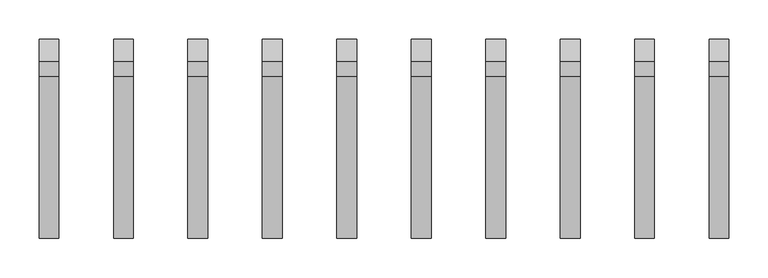
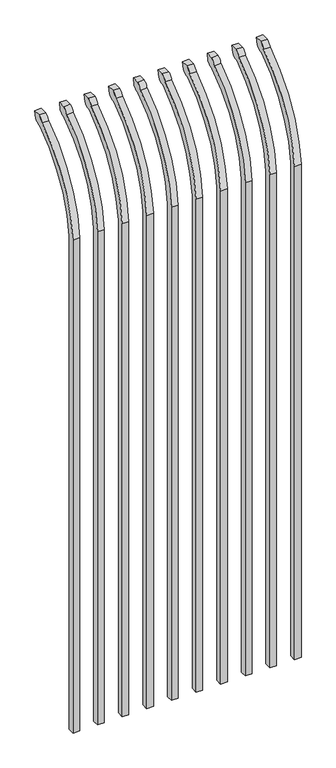
"""IFC4 building model written with IfcOpenShell, lengths in millimetres: railing geometry."""

from ifc_helpers import new_model, si_unit, point, frame, origin, place, context, project, spatial, polyline, circle_curve, ellipse_curve, trimmed, source, transform, mapped, element, save
from ifc_brep_helpers import plane_surface, cylinder_surface, revolved_surface, extruded_surface, advanced_brep


def railing_a7305ae9(model_context):
    return source(origin(), model_context, "Body", "AdvancedBrep", [
        advanced_brep(
        [(21556.4350064, 11905.619541, 50.8), (21556.4350064, 11905.619541, 2063.9226889), (21556.4350064, 12102.7326851, 2396.1022378), (21556.4350064, 12129.2407099, 2410.7867549), (21556.4350064, 12135.1100864, 2438.4), (21556.4350064, 12106.8799449, 2438.4), (21556.4350064, 12087.4931591, 2417.4682561), (21556.4350064, 11880.219541, 2063.9226889), (21556.4350064, 11880.219541, 50.8), (21531.0350064, 11905.619541, 50.8), (21531.0350064, 11905.619541, 2063.9226889), (21531.0350064, 11880.219541, 2063.9226889), (21531.0350064, 11880.219541, 50.8), (21531.0350064, 12087.4931591, 2417.4682561), (21531.0350064, 12106.8799449, 2438.4), (21531.0350064, 12135.1100864, 2438.4), (21531.0350064, 12129.2407099, 2410.7867549), (21531.0350064, 12102.7326851, 2396.1022378)],
        [
            (0, 1),
            (1, 2, circle_curve(frame((21556.4350064, 12342.9874207, 2028.9640776), z_axis=(-1.0, 0.0, 0.0), x_axis=(0.0, 1.0, 0.0)), 438.7627681)),
            (2, 3, ellipse_curve(frame((21556.4350064, 12110.5579376, 2418.5180619), z_axis=(1.0, 0.0, 0.0), x_axis=(0.0, -0.7771459614569752, -0.6293203910498321)), 26.7460194, 19.05)),
            (3, 4),
            (4, 5),
            (5, 6, ellipse_curve(frame((21556.4350064, 12110.5579376, 2418.5180619), z_axis=(1.0, 0.0, 0.0), x_axis=(0.0, -0.7771459614569761, -0.6293203910498311)), 26.7460194, 19.05)),
            (6, 7, circle_curve(frame((21556.4350064, 12342.0333244, 2030.7065933), z_axis=(1.0, 0.0, 0.0), x_axis=(0.0, 1.0, 0.0)), 463.0067812)),
            (7, 8),
            (8, 0),
            (0, 9),
            (9, 10),
            (10, 1),
            (7, 11),
            (11, 12),
            (12, 8),
            (12, 9),
            (11, 13, circle_curve(frame((21531.0350064, 12342.0333244, 2030.7065933), z_axis=(-1.0, 0.0, 0.0), x_axis=(0.0, 1.0, 0.0)), 463.0067812)),
            (13, 14, ellipse_curve(frame((21531.0350064, 12110.5579376, 2418.5180619), z_axis=(-1.0, 0.0, 0.0), x_axis=(0.0, -0.7771459614569761, -0.6293203910498311)), 26.7460194, 19.05)),
            (14, 15),
            (15, 16),
            (16, 17, ellipse_curve(frame((21531.0350064, 12110.5579376, 2418.5180619), z_axis=(-1.0, 0.0, 0.0), x_axis=(0.0, -0.7771459614569752, -0.6293203910498321)), 26.7460194, 19.05)),
            (17, 10, circle_curve(frame((21531.0350064, 12342.9874207, 2028.9640776), z_axis=(1.0, 0.0, 0.0), x_axis=(0.0, 1.0, 0.0)), 438.7627681)),
            (17, 2),
            (16, 3),
            (15, 4),
            (14, 5),
            (13, 6),
        ],
        [
            plane_surface(frame((21556.4350064, 11905.619541, 50.8), z_axis=(1.0, 0.0, 0.0), x_axis=(0.0, 0.0, 1.0))),
            plane_surface(frame((21556.4350064, 11905.619541, 50.8), z_axis=(0.0, 1.0, 0.0), x_axis=(-1.0, 0.0, 0.0))),
            plane_surface(frame((21556.4350064, 11880.219541, 2063.9226889), z_axis=(0.0, -1.0, 0.0), x_axis=(-1.0, 0.0, 0.0))),
            plane_surface(frame((21556.4350064, 11880.219541, 50.8), z_axis=(0.0, 0.0, -1.0), x_axis=(-1.0, 0.0, 0.0))),
            plane_surface(frame((21531.0350064, 11905.619541, 50.8), z_axis=(-1.0, 0.0, 0.0), x_axis=(0.0, 0.0, -1.0))),
            revolved_surface(polyline([(21531.0350064, 12781.750188799999, 2028.9640776), (21556.4350064, 12781.750188799999, 2028.9640776)]), (21531.0350064, 12342.9874207, 2028.9640776), (-1.0, 0.0, 0.0)),
            extruded_surface(trimmed(ellipse_curve(frame((21505.6350064, 12110.5579376, 2418.5180619), z_axis=(1.0, 0.0, 0.0), x_axis=(0.0, -0.7771459614569752, -0.6293203910498321)), 26.7460194, 19.05), [point((21505.6350064, 12102.7326851, 2396.1022378))], [point((21505.6350064, 12129.2407099, 2410.7867549))], True, "CARTESIAN"), (25.400000000001455, 0.0, 0.0), 25.400000000001455),
            plane_surface(frame((21556.4350064, 12129.2407099, 2410.7867549), z_axis=(0.0, 0.9781476007338008, -0.20791169081778224), x_axis=(-1.0, 0.0, 0.0))),
            plane_surface(frame((21556.4350064, 12135.1100864, 2438.4), z_axis=(0.0, 0.0, 1.0), x_axis=(-1.0, 0.0, 0.0))),
            extruded_surface(trimmed(ellipse_curve(frame((21505.6350064, 12110.5579376, 2418.5180619), z_axis=(1.0, 0.0, 0.0), x_axis=(0.0, -0.7771459614569761, -0.6293203910498311)), 26.7460194, 19.05), [point((21505.6350064, 12106.8799449, 2438.4))], [point((21505.6350064, 12087.4931591, 2417.4682561))], True, "CARTESIAN"), (25.400000000001455, 0.0, 0.0), 25.400000000001455),
            cylinder_surface(frame((21531.0350064, 12342.0333244, 2030.7065933), z_axis=(1.0, 0.0, 0.0), x_axis=(0.0, 1.0, 0.0)), 463.0067812),
        ],
        [
            (0, [[1, 2, 3, 4, 5, 6, 7, 8, 9]]),
            (1, [[-1, 10, 11, 12]]),
            (2, [[-8, 13, 14, 15]]),
            (3, [[-9, -15, 16, -10]]),
            (4, [[-16, -14, 17, 18, 19, 20, 21, 22, -11]]),
            (5, [[-2, -12, -22, 23]]),
            (6, [[-3, -23, -21, 24]]),
            (7, [[-4, -24, -20, 25]]),
            (8, [[-5, -25, -19, 26]]),
            (9, [[-6, -26, -18, 27]]),
            (10, [[-7, -27, -17, -13]]),
        ],
    ),
        advanced_brep(
        [(21461.1850064, 11905.619541, 50.8), (21461.1850064, 11905.619541, 2063.9226889), (21461.1850064, 12102.7326851, 2396.1022378), (21461.1850064, 12129.2407099, 2410.7867549), (21461.1850064, 12135.1100864, 2438.4), (21461.1850064, 12106.8799449, 2438.4), (21461.1850064, 12087.4931591, 2417.4682561), (21461.1850064, 11880.219541, 2063.9226889), (21461.1850064, 11880.219541, 50.8), (21435.7850064, 11905.619541, 50.8), (21435.7850064, 11905.619541, 2063.9226889), (21435.7850064, 11880.219541, 2063.9226889), (21435.7850064, 11880.219541, 50.8), (21435.7850064, 12087.4931591, 2417.4682561), (21435.7850064, 12106.8799449, 2438.4), (21435.7850064, 12135.1100864, 2438.4), (21435.7850064, 12129.2407099, 2410.7867549), (21435.7850064, 12102.7326851, 2396.1022378)],
        [
            (0, 1),
            (1, 2, circle_curve(frame((21461.1850064, 12342.9874207, 2028.9640776), z_axis=(-1.0, 0.0, 0.0), x_axis=(0.0, 1.0, 0.0)), 438.7627681)),
            (2, 3, ellipse_curve(frame((21461.1850064, 12110.5579376, 2418.5180619), z_axis=(1.0, 0.0, 0.0), x_axis=(0.0, -0.7771459614569752, -0.6293203910498321)), 26.7460194, 19.05)),
            (3, 4),
            (4, 5),
            (5, 6, ellipse_curve(frame((21461.1850064, 12110.5579376, 2418.5180619), z_axis=(1.0, 0.0, 0.0), x_axis=(0.0, -0.7771459614569761, -0.6293203910498311)), 26.7460194, 19.05)),
            (6, 7, circle_curve(frame((21461.1850064, 12342.0333244, 2030.7065933), z_axis=(1.0, 0.0, 0.0), x_axis=(0.0, 1.0, 0.0)), 463.0067812)),
            (7, 8),
            (8, 0),
            (0, 9),
            (9, 10),
            (10, 1),
            (7, 11),
            (11, 12),
            (12, 8),
            (12, 9),
            (11, 13, circle_curve(frame((21435.7850064, 12342.0333244, 2030.7065933), z_axis=(-1.0, 0.0, 0.0), x_axis=(0.0, 1.0, 0.0)), 463.0067812)),
            (13, 14, ellipse_curve(frame((21435.7850064, 12110.5579376, 2418.5180619), z_axis=(-1.0, 0.0, 0.0), x_axis=(0.0, -0.7771459614569761, -0.6293203910498311)), 26.7460194, 19.05)),
            (14, 15),
            (15, 16),
            (16, 17, ellipse_curve(frame((21435.7850064, 12110.5579376, 2418.5180619), z_axis=(-1.0, 0.0, 0.0), x_axis=(0.0, -0.7771459614569752, -0.6293203910498321)), 26.7460194, 19.05)),
            (17, 10, circle_curve(frame((21435.7850064, 12342.9874207, 2028.9640776), z_axis=(1.0, 0.0, 0.0), x_axis=(0.0, 1.0, 0.0)), 438.7627681)),
            (17, 2),
            (16, 3),
            (15, 4),
            (14, 5),
            (13, 6),
        ],
        [
            plane_surface(frame((21461.1850064, 11905.619541, 50.8), z_axis=(1.0, 0.0, 0.0), x_axis=(0.0, 0.0, 1.0))),
            plane_surface(frame((21461.1850064, 11905.619541, 50.8), z_axis=(0.0, 1.0, 0.0), x_axis=(-1.0, 0.0, 0.0))),
            plane_surface(frame((21461.1850064, 11880.219541, 2063.9226889), z_axis=(0.0, -1.0, 0.0), x_axis=(-1.0, 0.0, 0.0))),
            plane_surface(frame((21461.1850064, 11880.219541, 50.8), z_axis=(0.0, 0.0, -1.0), x_axis=(-1.0, 0.0, 0.0))),
            plane_surface(frame((21435.7850064, 11905.619541, 50.8), z_axis=(-1.0, 0.0, 0.0), x_axis=(0.0, 0.0, -1.0))),
            revolved_surface(polyline([(21435.7850064, 12781.750188799999, 2028.9640776), (21461.1850064, 12781.750188799999, 2028.9640776)]), (21435.7850064, 12342.9874207, 2028.9640776), (-1.0, 0.0, 0.0)),
            extruded_surface(trimmed(ellipse_curve(frame((21410.3850064, 12110.5579376, 2418.5180619), z_axis=(1.0, 0.0, 0.0), x_axis=(0.0, -0.7771459614569752, -0.6293203910498321)), 26.7460194, 19.05), [point((21410.3850064, 12102.7326851, 2396.1022378))], [point((21410.3850064, 12129.2407099, 2410.7867549))], True, "CARTESIAN"), (25.400000000001455, 0.0, 0.0), 25.400000000001455),
            plane_surface(frame((21461.1850064, 12129.2407099, 2410.7867549), z_axis=(0.0, 0.9781476007338008, -0.20791169081778224), x_axis=(-1.0, 0.0, 0.0))),
            plane_surface(frame((21461.1850064, 12135.1100864, 2438.4), z_axis=(0.0, 0.0, 1.0), x_axis=(-1.0, 0.0, 0.0))),
            extruded_surface(trimmed(ellipse_curve(frame((21410.3850064, 12110.5579376, 2418.5180619), z_axis=(1.0, 0.0, 0.0), x_axis=(0.0, -0.7771459614569761, -0.6293203910498311)), 26.7460194, 19.05), [point((21410.3850064, 12106.8799449, 2438.4))], [point((21410.3850064, 12087.4931591, 2417.4682561))], True, "CARTESIAN"), (25.400000000001455, 0.0, 0.0), 25.400000000001455),
            cylinder_surface(frame((21435.7850064, 12342.0333244, 2030.7065933), z_axis=(1.0, 0.0, 0.0), x_axis=(0.0, 1.0, 0.0)), 463.0067812),
        ],
        [
            (0, [[1, 2, 3, 4, 5, 6, 7, 8, 9]]),
            (1, [[-1, 10, 11, 12]]),
            (2, [[-8, 13, 14, 15]]),
            (3, [[-9, -15, 16, -10]]),
            (4, [[-16, -14, 17, 18, 19, 20, 21, 22, -11]]),
            (5, [[-2, -12, -22, 23]]),
            (6, [[-3, -23, -21, 24]]),
            (7, [[-4, -24, -20, 25]]),
            (8, [[-5, -25, -19, 26]]),
            (9, [[-6, -26, -18, 27]]),
            (10, [[-7, -27, -17, -13]]),
        ],
    ),
        advanced_brep(
        [(21365.9350064, 11905.619541, 50.8), (21365.9350064, 11905.619541, 2063.9226889), (21365.9350064, 12102.7326851, 2396.1022378), (21365.9350064, 12129.2407099, 2410.7867549), (21365.9350064, 12135.1100864, 2438.4), (21365.9350064, 12106.8799449, 2438.4), (21365.9350064, 12087.4931591, 2417.4682561), (21365.9350064, 11880.219541, 2063.9226889), (21365.9350064, 11880.219541, 50.8), (21340.5350064, 11905.619541, 50.8), (21340.5350064, 11905.619541, 2063.9226889), (21340.5350064, 11880.219541, 2063.9226889), (21340.5350064, 11880.219541, 50.8), (21340.5350064, 12087.4931591, 2417.4682561), (21340.5350064, 12106.8799449, 2438.4), (21340.5350064, 12135.1100864, 2438.4), (21340.5350064, 12129.2407099, 2410.7867549), (21340.5350064, 12102.7326851, 2396.1022378)],
        [
            (0, 1),
            (1, 2, circle_curve(frame((21365.9350064, 12342.9874207, 2028.9640776), z_axis=(-1.0, 0.0, 0.0), x_axis=(0.0, 1.0, 0.0)), 438.7627681)),
            (2, 3, ellipse_curve(frame((21365.9350064, 12110.5579376, 2418.5180619), z_axis=(1.0, 0.0, 0.0), x_axis=(0.0, -0.7771459614569752, -0.6293203910498321)), 26.7460194, 19.05)),
            (3, 4),
            (4, 5),
            (5, 6, ellipse_curve(frame((21365.9350064, 12110.5579376, 2418.5180619), z_axis=(1.0, 0.0, 0.0), x_axis=(0.0, -0.7771459614569761, -0.6293203910498311)), 26.7460194, 19.05)),
            (6, 7, circle_curve(frame((21365.9350064, 12342.0333244, 2030.7065933), z_axis=(1.0, 0.0, 0.0), x_axis=(0.0, 1.0, 0.0)), 463.0067812)),
            (7, 8),
            (8, 0),
            (0, 9),
            (9, 10),
            (10, 1),
            (7, 11),
            (11, 12),
            (12, 8),
            (12, 9),
            (11, 13, circle_curve(frame((21340.5350064, 12342.0333244, 2030.7065933), z_axis=(-1.0, 0.0, 0.0), x_axis=(0.0, 1.0, 0.0)), 463.0067812)),
            (13, 14, ellipse_curve(frame((21340.5350064, 12110.5579376, 2418.5180619), z_axis=(-1.0, 0.0, 0.0), x_axis=(0.0, -0.7771459614569761, -0.6293203910498311)), 26.7460194, 19.05)),
            (14, 15),
            (15, 16),
            (16, 17, ellipse_curve(frame((21340.5350064, 12110.5579376, 2418.5180619), z_axis=(-1.0, 0.0, 0.0), x_axis=(0.0, -0.7771459614569752, -0.6293203910498321)), 26.7460194, 19.05)),
            (17, 10, circle_curve(frame((21340.5350064, 12342.9874207, 2028.9640776), z_axis=(1.0, 0.0, 0.0), x_axis=(0.0, 1.0, 0.0)), 438.7627681)),
            (17, 2),
            (16, 3),
            (15, 4),
            (14, 5),
            (13, 6),
        ],
        [
            plane_surface(frame((21365.9350064, 11905.619541, 50.8), z_axis=(1.0, 0.0, 0.0), x_axis=(0.0, 0.0, 1.0))),
            plane_surface(frame((21365.9350064, 11905.619541, 50.8), z_axis=(0.0, 1.0, 0.0), x_axis=(-1.0, 0.0, 0.0))),
            plane_surface(frame((21365.9350064, 11880.219541, 2063.9226889), z_axis=(0.0, -1.0, 0.0), x_axis=(-1.0, 0.0, 0.0))),
            plane_surface(frame((21365.9350064, 11880.219541, 50.8), z_axis=(0.0, 0.0, -1.0), x_axis=(-1.0, 0.0, 0.0))),
            plane_surface(frame((21340.5350064, 11905.619541, 50.8), z_axis=(-1.0, 0.0, 0.0), x_axis=(0.0, 0.0, -1.0))),
            revolved_surface(polyline([(21340.5350064, 12781.750188799999, 2028.9640776), (21365.9350064, 12781.750188799999, 2028.9640776)]), (21340.5350064, 12342.9874207, 2028.9640776), (-1.0, 0.0, 0.0)),
            extruded_surface(trimmed(ellipse_curve(frame((21315.1350064, 12110.5579376, 2418.5180619), z_axis=(1.0, 0.0, 0.0), x_axis=(0.0, -0.7771459614569752, -0.6293203910498321)), 26.7460194, 19.05), [point((21315.1350064, 12102.7326851, 2396.1022378))], [point((21315.1350064, 12129.2407099, 2410.7867549))], True, "CARTESIAN"), (25.400000000001455, 0.0, 0.0), 25.400000000001455),
            plane_surface(frame((21365.9350064, 12129.2407099, 2410.7867549), z_axis=(0.0, 0.9781476007338008, -0.20791169081778224), x_axis=(-1.0, 0.0, 0.0))),
            plane_surface(frame((21365.9350064, 12135.1100864, 2438.4), z_axis=(0.0, 0.0, 1.0), x_axis=(-1.0, 0.0, 0.0))),
            extruded_surface(trimmed(ellipse_curve(frame((21315.1350064, 12110.5579376, 2418.5180619), z_axis=(1.0, 0.0, 0.0), x_axis=(0.0, -0.7771459614569761, -0.6293203910498311)), 26.7460194, 19.05), [point((21315.1350064, 12106.8799449, 2438.4))], [point((21315.1350064, 12087.4931591, 2417.4682561))], True, "CARTESIAN"), (25.400000000001455, 0.0, 0.0), 25.400000000001455),
            cylinder_surface(frame((21340.5350064, 12342.0333244, 2030.7065933), z_axis=(1.0, 0.0, 0.0), x_axis=(0.0, 1.0, 0.0)), 463.0067812),
        ],
        [
            (0, [[1, 2, 3, 4, 5, 6, 7, 8, 9]]),
            (1, [[-1, 10, 11, 12]]),
            (2, [[-8, 13, 14, 15]]),
            (3, [[-9, -15, 16, -10]]),
            (4, [[-16, -14, 17, 18, 19, 20, 21, 22, -11]]),
            (5, [[-2, -12, -22, 23]]),
            (6, [[-3, -23, -21, 24]]),
            (7, [[-4, -24, -20, 25]]),
            (8, [[-5, -25, -19, 26]]),
            (9, [[-6, -26, -18, 27]]),
            (10, [[-7, -27, -17, -13]]),
        ],
    ),
        advanced_brep(
        [(21270.6850064, 11905.619541, 50.8), (21270.6850064, 11905.619541, 2063.9226889), (21270.6850064, 12102.7326851, 2396.1022378), (21270.6850064, 12129.2407099, 2410.7867549), (21270.6850064, 12135.1100864, 2438.4), (21270.6850064, 12106.8799449, 2438.4), (21270.6850064, 12087.4931591, 2417.4682561), (21270.6850064, 11880.219541, 2063.9226889), (21270.6850064, 11880.219541, 50.8), (21245.2850064, 11905.619541, 50.8), (21245.2850064, 11905.619541, 2063.9226889), (21245.2850064, 11880.219541, 2063.9226889), (21245.2850064, 11880.219541, 50.8), (21245.2850064, 12087.4931591, 2417.4682561), (21245.2850064, 12106.8799449, 2438.4), (21245.2850064, 12135.1100864, 2438.4), (21245.2850064, 12129.2407099, 2410.7867549), (21245.2850064, 12102.7326851, 2396.1022378)],
        [
            (0, 1),
            (1, 2, circle_curve(frame((21270.6850064, 12342.9874207, 2028.9640776), z_axis=(-1.0, 0.0, 0.0), x_axis=(0.0, 1.0, 0.0)), 438.7627681)),
            (2, 3, ellipse_curve(frame((21270.6850064, 12110.5579376, 2418.5180619), z_axis=(1.0, 0.0, 0.0), x_axis=(0.0, -0.7771459614569752, -0.6293203910498321)), 26.7460194, 19.05)),
            (3, 4),
            (4, 5),
            (5, 6, ellipse_curve(frame((21270.6850064, 12110.5579376, 2418.5180619), z_axis=(1.0, 0.0, 0.0), x_axis=(0.0, -0.7771459614569761, -0.6293203910498311)), 26.7460194, 19.05)),
            (6, 7, circle_curve(frame((21270.6850064, 12342.0333244, 2030.7065933), z_axis=(1.0, 0.0, 0.0), x_axis=(0.0, 1.0, 0.0)), 463.0067812)),
            (7, 8),
            (8, 0),
            (0, 9),
            (9, 10),
            (10, 1),
            (7, 11),
            (11, 12),
            (12, 8),
            (12, 9),
            (11, 13, circle_curve(frame((21245.2850064, 12342.0333244, 2030.7065933), z_axis=(-1.0, 0.0, 0.0), x_axis=(0.0, 1.0, 0.0)), 463.0067812)),
            (13, 14, ellipse_curve(frame((21245.2850064, 12110.5579376, 2418.5180619), z_axis=(-1.0, 0.0, 0.0), x_axis=(0.0, -0.7771459614569761, -0.6293203910498311)), 26.7460194, 19.05)),
            (14, 15),
            (15, 16),
            (16, 17, ellipse_curve(frame((21245.2850064, 12110.5579376, 2418.5180619), z_axis=(-1.0, 0.0, 0.0), x_axis=(0.0, -0.7771459614569752, -0.6293203910498321)), 26.7460194, 19.05)),
            (17, 10, circle_curve(frame((21245.2850064, 12342.9874207, 2028.9640776), z_axis=(1.0, 0.0, 0.0), x_axis=(0.0, 1.0, 0.0)), 438.7627681)),
            (17, 2),
            (16, 3),
            (15, 4),
            (14, 5),
            (13, 6),
        ],
        [
            plane_surface(frame((21270.6850064, 11905.619541, 50.8), z_axis=(1.0, 0.0, 0.0), x_axis=(0.0, 0.0, 1.0))),
            plane_surface(frame((21270.6850064, 11905.619541, 50.8), z_axis=(0.0, 1.0, 0.0), x_axis=(-1.0, 0.0, 0.0))),
            plane_surface(frame((21270.6850064, 11880.219541, 2063.9226889), z_axis=(0.0, -1.0, 0.0), x_axis=(-1.0, 0.0, 0.0))),
            plane_surface(frame((21270.6850064, 11880.219541, 50.8), z_axis=(0.0, 0.0, -1.0), x_axis=(-1.0, 0.0, 0.0))),
            plane_surface(frame((21245.2850064, 11905.619541, 50.8), z_axis=(-1.0, 0.0, 0.0), x_axis=(0.0, 0.0, -1.0))),
            revolved_surface(polyline([(21245.2850064, 12781.750188799999, 2028.9640776), (21270.6850064, 12781.750188799999, 2028.9640776)]), (21245.2850064, 12342.9874207, 2028.9640776), (-1.0, 0.0, 0.0)),
            extruded_surface(trimmed(ellipse_curve(frame((21219.8850064, 12110.5579376, 2418.5180619), z_axis=(1.0, 0.0, 0.0), x_axis=(0.0, -0.7771459614569752, -0.6293203910498321)), 26.7460194, 19.05), [point((21219.8850064, 12102.7326851, 2396.1022378))], [point((21219.8850064, 12129.2407099, 2410.7867549))], True, "CARTESIAN"), (25.400000000001455, 0.0, 0.0), 25.400000000001455),
            plane_surface(frame((21270.6850064, 12129.2407099, 2410.7867549), z_axis=(0.0, 0.9781476007338008, -0.20791169081778224), x_axis=(-1.0, 0.0, 0.0))),
            plane_surface(frame((21270.6850064, 12135.1100864, 2438.4), z_axis=(0.0, 0.0, 1.0), x_axis=(-1.0, 0.0, 0.0))),
            extruded_surface(trimmed(ellipse_curve(frame((21219.8850064, 12110.5579376, 2418.5180619), z_axis=(1.0, 0.0, 0.0), x_axis=(0.0, -0.7771459614569761, -0.6293203910498311)), 26.7460194, 19.05), [point((21219.8850064, 12106.8799449, 2438.4))], [point((21219.8850064, 12087.4931591, 2417.4682561))], True, "CARTESIAN"), (25.400000000001455, 0.0, 0.0), 25.400000000001455),
            cylinder_surface(frame((21245.2850064, 12342.0333244, 2030.7065933), z_axis=(1.0, 0.0, 0.0), x_axis=(0.0, 1.0, 0.0)), 463.0067812),
        ],
        [
            (0, [[1, 2, 3, 4, 5, 6, 7, 8, 9]]),
            (1, [[-1, 10, 11, 12]]),
            (2, [[-8, 13, 14, 15]]),
            (3, [[-9, -15, 16, -10]]),
            (4, [[-16, -14, 17, 18, 19, 20, 21, 22, -11]]),
            (5, [[-2, -12, -22, 23]]),
            (6, [[-3, -23, -21, 24]]),
            (7, [[-4, -24, -20, 25]]),
            (8, [[-5, -25, -19, 26]]),
            (9, [[-6, -26, -18, 27]]),
            (10, [[-7, -27, -17, -13]]),
        ],
    ),
        advanced_brep(
        [(21175.4350064, 11905.619541, 50.8), (21175.4350064, 11905.619541, 2063.9226889), (21175.4350064, 12102.7326851, 2396.1022378), (21175.4350064, 12129.2407099, 2410.7867549), (21175.4350064, 12135.1100864, 2438.4), (21175.4350064, 12106.8799449, 2438.4), (21175.4350064, 12087.4931591, 2417.4682561), (21175.4350064, 11880.219541, 2063.9226889), (21175.4350064, 11880.219541, 50.8), (21150.0350064, 11905.619541, 50.8), (21150.0350064, 11905.619541, 2063.9226889), (21150.0350064, 11880.219541, 2063.9226889), (21150.0350064, 11880.219541, 50.8), (21150.0350064, 12087.4931591, 2417.4682561), (21150.0350064, 12106.8799449, 2438.4), (21150.0350064, 12135.1100864, 2438.4), (21150.0350064, 12129.2407099, 2410.7867549), (21150.0350064, 12102.7326851, 2396.1022378)],
        [
            (0, 1),
            (1, 2, circle_curve(frame((21175.4350064, 12342.9874207, 2028.9640776), z_axis=(-1.0, 0.0, 0.0), x_axis=(0.0, 1.0, 0.0)), 438.7627681)),
            (2, 3, ellipse_curve(frame((21175.4350064, 12110.5579376, 2418.5180619), z_axis=(1.0, 0.0, 0.0), x_axis=(0.0, -0.7771459614569752, -0.6293203910498321)), 26.7460194, 19.05)),
            (3, 4),
            (4, 5),
            (5, 6, ellipse_curve(frame((21175.4350064, 12110.5579376, 2418.5180619), z_axis=(1.0, 0.0, 0.0), x_axis=(0.0, -0.7771459614569761, -0.6293203910498311)), 26.7460194, 19.05)),
            (6, 7, circle_curve(frame((21175.4350064, 12342.0333244, 2030.7065933), z_axis=(1.0, 0.0, 0.0), x_axis=(0.0, 1.0, 0.0)), 463.0067812)),
            (7, 8),
            (8, 0),
            (0, 9),
            (9, 10),
            (10, 1),
            (7, 11),
            (11, 12),
            (12, 8),
            (12, 9),
            (11, 13, circle_curve(frame((21150.0350064, 12342.0333244, 2030.7065933), z_axis=(-1.0, 0.0, 0.0), x_axis=(0.0, 1.0, 0.0)), 463.0067812)),
            (13, 14, ellipse_curve(frame((21150.0350064, 12110.5579376, 2418.5180619), z_axis=(-1.0, 0.0, 0.0), x_axis=(0.0, -0.7771459614569761, -0.6293203910498311)), 26.7460194, 19.05)),
            (14, 15),
            (15, 16),
            (16, 17, ellipse_curve(frame((21150.0350064, 12110.5579376, 2418.5180619), z_axis=(-1.0, 0.0, 0.0), x_axis=(0.0, -0.7771459614569752, -0.6293203910498321)), 26.7460194, 19.05)),
            (17, 10, circle_curve(frame((21150.0350064, 12342.9874207, 2028.9640776), z_axis=(1.0, 0.0, 0.0), x_axis=(0.0, 1.0, 0.0)), 438.7627681)),
            (17, 2),
            (16, 3),
            (15, 4),
            (14, 5),
            (13, 6),
        ],
        [
            plane_surface(frame((21175.4350064, 11905.619541, 50.8), z_axis=(1.0, 0.0, 0.0), x_axis=(0.0, 0.0, 1.0))),
            plane_surface(frame((21175.4350064, 11905.619541, 50.8), z_axis=(0.0, 1.0, 0.0), x_axis=(-1.0, 0.0, 0.0))),
            plane_surface(frame((21175.4350064, 11880.219541, 2063.9226889), z_axis=(0.0, -1.0, 0.0), x_axis=(-1.0, 0.0, 0.0))),
            plane_surface(frame((21175.4350064, 11880.219541, 50.8), z_axis=(0.0, 0.0, -1.0), x_axis=(-1.0, 0.0, 0.0))),
            plane_surface(frame((21150.0350064, 11905.619541, 50.8), z_axis=(-1.0, 0.0, 0.0), x_axis=(0.0, 0.0, -1.0))),
            revolved_surface(polyline([(21150.0350064, 12781.750188799999, 2028.9640776), (21175.4350064, 12781.750188799999, 2028.9640776)]), (21150.0350064, 12342.9874207, 2028.9640776), (-1.0, 0.0, 0.0)),
            extruded_surface(trimmed(ellipse_curve(frame((21124.6350064, 12110.5579376, 2418.5180619), z_axis=(1.0, 0.0, 0.0), x_axis=(0.0, -0.7771459614569752, -0.6293203910498321)), 26.7460194, 19.05), [point((21124.6350064, 12102.7326851, 2396.1022378))], [point((21124.6350064, 12129.2407099, 2410.7867549))], True, "CARTESIAN"), (25.400000000001455, 0.0, 0.0), 25.400000000001455),
            plane_surface(frame((21175.4350064, 12129.2407099, 2410.7867549), z_axis=(0.0, 0.9781476007338008, -0.20791169081778224), x_axis=(-1.0, 0.0, 0.0))),
            plane_surface(frame((21175.4350064, 12135.1100864, 2438.4), z_axis=(0.0, 0.0, 1.0), x_axis=(-1.0, 0.0, 0.0))),
            extruded_surface(trimmed(ellipse_curve(frame((21124.6350064, 12110.5579376, 2418.5180619), z_axis=(1.0, 0.0, 0.0), x_axis=(0.0, -0.7771459614569761, -0.6293203910498311)), 26.7460194, 19.05), [point((21124.6350064, 12106.8799449, 2438.4))], [point((21124.6350064, 12087.4931591, 2417.4682561))], True, "CARTESIAN"), (25.400000000001455, 0.0, 0.0), 25.400000000001455),
            cylinder_surface(frame((21150.0350064, 12342.0333244, 2030.7065933), z_axis=(1.0, 0.0, 0.0), x_axis=(0.0, 1.0, 0.0)), 463.0067812),
        ],
        [
            (0, [[1, 2, 3, 4, 5, 6, 7, 8, 9]]),
            (1, [[-1, 10, 11, 12]]),
            (2, [[-8, 13, 14, 15]]),
            (3, [[-9, -15, 16, -10]]),
            (4, [[-16, -14, 17, 18, 19, 20, 21, 22, -11]]),
            (5, [[-2, -12, -22, 23]]),
            (6, [[-3, -23, -21, 24]]),
            (7, [[-4, -24, -20, 25]]),
            (8, [[-5, -25, -19, 26]]),
            (9, [[-6, -26, -18, 27]]),
            (10, [[-7, -27, -17, -13]]),
        ],
    ),
        advanced_brep(
        [(21080.1850064, 11905.619541, 50.8), (21080.1850064, 11905.619541, 2063.9226889), (21080.1850064, 12102.7326851, 2396.1022378), (21080.1850064, 12129.2407099, 2410.7867549), (21080.1850064, 12135.1100864, 2438.4), (21080.1850064, 12106.8799449, 2438.4), (21080.1850064, 12087.4931591, 2417.4682561), (21080.1850064, 11880.219541, 2063.9226889), (21080.1850064, 11880.219541, 50.8), (21054.7850064, 11905.619541, 50.8), (21054.7850064, 11905.619541, 2063.9226889), (21054.7850064, 11880.219541, 2063.9226889), (21054.7850064, 11880.219541, 50.8), (21054.7850064, 12087.4931591, 2417.4682561), (21054.7850064, 12106.8799449, 2438.4), (21054.7850064, 12135.1100864, 2438.4), (21054.7850064, 12129.2407099, 2410.7867549), (21054.7850064, 12102.7326851, 2396.1022378)],
        [
            (0, 1),
            (1, 2, circle_curve(frame((21080.1850064, 12342.9874207, 2028.9640776), z_axis=(-1.0, 0.0, 0.0), x_axis=(0.0, 1.0, 0.0)), 438.7627681)),
            (2, 3, ellipse_curve(frame((21080.1850064, 12110.5579376, 2418.5180619), z_axis=(1.0, 0.0, 0.0), x_axis=(0.0, -0.7771459614569752, -0.6293203910498321)), 26.7460194, 19.05)),
            (3, 4),
            (4, 5),
            (5, 6, ellipse_curve(frame((21080.1850064, 12110.5579376, 2418.5180619), z_axis=(1.0, 0.0, 0.0), x_axis=(0.0, -0.7771459614569761, -0.6293203910498311)), 26.7460194, 19.05)),
            (6, 7, circle_curve(frame((21080.1850064, 12342.0333244, 2030.7065933), z_axis=(1.0, 0.0, 0.0), x_axis=(0.0, 1.0, 0.0)), 463.0067812)),
            (7, 8),
            (8, 0),
            (0, 9),
            (9, 10),
            (10, 1),
            (7, 11),
            (11, 12),
            (12, 8),
            (12, 9),
            (11, 13, circle_curve(frame((21054.7850064, 12342.0333244, 2030.7065933), z_axis=(-1.0, 0.0, 0.0), x_axis=(0.0, 1.0, 0.0)), 463.0067812)),
            (13, 14, ellipse_curve(frame((21054.7850064, 12110.5579376, 2418.5180619), z_axis=(-1.0, 0.0, 0.0), x_axis=(0.0, -0.7771459614569761, -0.6293203910498311)), 26.7460194, 19.05)),
            (14, 15),
            (15, 16),
            (16, 17, ellipse_curve(frame((21054.7850064, 12110.5579376, 2418.5180619), z_axis=(-1.0, 0.0, 0.0), x_axis=(0.0, -0.7771459614569752, -0.6293203910498321)), 26.7460194, 19.05)),
            (17, 10, circle_curve(frame((21054.7850064, 12342.9874207, 2028.9640776), z_axis=(1.0, 0.0, 0.0), x_axis=(0.0, 1.0, 0.0)), 438.7627681)),
            (17, 2),
            (16, 3),
            (15, 4),
            (14, 5),
            (13, 6),
        ],
        [
            plane_surface(frame((21080.1850064, 11905.619541, 50.8), z_axis=(1.0, 0.0, 0.0), x_axis=(0.0, 0.0, 1.0))),
            plane_surface(frame((21080.1850064, 11905.619541, 50.8), z_axis=(0.0, 1.0, 0.0), x_axis=(-1.0, 0.0, 0.0))),
            plane_surface(frame((21080.1850064, 11880.219541, 2063.9226889), z_axis=(0.0, -1.0, 0.0), x_axis=(-1.0, 0.0, 0.0))),
            plane_surface(frame((21080.1850064, 11880.219541, 50.8), z_axis=(0.0, 0.0, -1.0), x_axis=(-1.0, 0.0, 0.0))),
            plane_surface(frame((21054.7850064, 11905.619541, 50.8), z_axis=(-1.0, 0.0, 0.0), x_axis=(0.0, 0.0, -1.0))),
            revolved_surface(polyline([(21054.7850064, 12781.750188799999, 2028.9640776), (21080.1850064, 12781.750188799999, 2028.9640776)]), (21054.7850064, 12342.9874207, 2028.9640776), (-1.0, 0.0, 0.0)),
            extruded_surface(trimmed(ellipse_curve(frame((21029.3850064, 12110.5579376, 2418.5180619), z_axis=(1.0, 0.0, 0.0), x_axis=(0.0, -0.7771459614569752, -0.6293203910498321)), 26.7460194, 19.05), [point((21029.3850064, 12102.7326851, 2396.1022378))], [point((21029.3850064, 12129.2407099, 2410.7867549))], True, "CARTESIAN"), (25.400000000001455, 0.0, 0.0), 25.400000000001455),
            plane_surface(frame((21080.1850064, 12129.2407099, 2410.7867549), z_axis=(0.0, 0.9781476007338008, -0.20791169081778224), x_axis=(-1.0, 0.0, 0.0))),
            plane_surface(frame((21080.1850064, 12135.1100864, 2438.4), z_axis=(0.0, 0.0, 1.0), x_axis=(-1.0, 0.0, 0.0))),
            extruded_surface(trimmed(ellipse_curve(frame((21029.3850064, 12110.5579376, 2418.5180619), z_axis=(1.0, 0.0, 0.0), x_axis=(0.0, -0.7771459614569761, -0.6293203910498311)), 26.7460194, 19.05), [point((21029.3850064, 12106.8799449, 2438.4))], [point((21029.3850064, 12087.4931591, 2417.4682561))], True, "CARTESIAN"), (25.400000000001455, 0.0, 0.0), 25.400000000001455),
            cylinder_surface(frame((21054.7850064, 12342.0333244, 2030.7065933), z_axis=(1.0, 0.0, 0.0), x_axis=(0.0, 1.0, 0.0)), 463.0067812),
        ],
        [
            (0, [[1, 2, 3, 4, 5, 6, 7, 8, 9]]),
            (1, [[-1, 10, 11, 12]]),
            (2, [[-8, 13, 14, 15]]),
            (3, [[-9, -15, 16, -10]]),
            (4, [[-16, -14, 17, 18, 19, 20, 21, 22, -11]]),
            (5, [[-2, -12, -22, 23]]),
            (6, [[-3, -23, -21, 24]]),
            (7, [[-4, -24, -20, 25]]),
            (8, [[-5, -25, -19, 26]]),
            (9, [[-6, -26, -18, 27]]),
            (10, [[-7, -27, -17, -13]]),
        ],
    ),
        advanced_brep(
        [(20984.9350064, 11905.619541, 50.8), (20984.9350064, 11905.619541, 2063.9226889), (20984.9350064, 12102.7326851, 2396.1022378), (20984.9350064, 12129.2407099, 2410.7867549), (20984.9350064, 12135.1100864, 2438.4), (20984.9350064, 12106.8799449, 2438.4), (20984.9350064, 12087.4931591, 2417.4682561), (20984.9350064, 11880.219541, 2063.9226889), (20984.9350064, 11880.219541, 50.8), (20959.5350064, 11905.619541, 50.8), (20959.5350064, 11905.619541, 2063.9226889), (20959.5350064, 11880.219541, 2063.9226889), (20959.5350064, 11880.219541, 50.8), (20959.5350064, 12087.4931591, 2417.4682561), (20959.5350064, 12106.8799449, 2438.4), (20959.5350064, 12135.1100864, 2438.4), (20959.5350064, 12129.2407099, 2410.7867549), (20959.5350064, 12102.7326851, 2396.1022378)],
        [
            (0, 1),
            (1, 2, circle_curve(frame((20984.9350064, 12342.9874207, 2028.9640776), z_axis=(-1.0, 0.0, 0.0), x_axis=(0.0, 1.0, 0.0)), 438.7627681)),
            (2, 3, ellipse_curve(frame((20984.9350064, 12110.5579376, 2418.5180619), z_axis=(1.0, 0.0, 0.0), x_axis=(0.0, -0.7771459614569752, -0.6293203910498321)), 26.7460194, 19.05)),
            (3, 4),
            (4, 5),
            (5, 6, ellipse_curve(frame((20984.9350064, 12110.5579376, 2418.5180619), z_axis=(1.0, 0.0, 0.0), x_axis=(0.0, -0.7771459614569761, -0.6293203910498311)), 26.7460194, 19.05)),
            (6, 7, circle_curve(frame((20984.9350064, 12342.0333244, 2030.7065933), z_axis=(1.0, 0.0, 0.0), x_axis=(0.0, 1.0, 0.0)), 463.0067812)),
            (7, 8),
            (8, 0),
            (0, 9),
            (9, 10),
            (10, 1),
            (7, 11),
            (11, 12),
            (12, 8),
            (12, 9),
            (11, 13, circle_curve(frame((20959.5350064, 12342.0333244, 2030.7065933), z_axis=(-1.0, 0.0, 0.0), x_axis=(0.0, 1.0, 0.0)), 463.0067812)),
            (13, 14, ellipse_curve(frame((20959.5350064, 12110.5579376, 2418.5180619), z_axis=(-1.0, 0.0, 0.0), x_axis=(0.0, -0.7771459614569761, -0.6293203910498311)), 26.7460194, 19.05)),
            (14, 15),
            (15, 16),
            (16, 17, ellipse_curve(frame((20959.5350064, 12110.5579376, 2418.5180619), z_axis=(-1.0, 0.0, 0.0), x_axis=(0.0, -0.7771459614569752, -0.6293203910498321)), 26.7460194, 19.05)),
            (17, 10, circle_curve(frame((20959.5350064, 12342.9874207, 2028.9640776), z_axis=(1.0, 0.0, 0.0), x_axis=(0.0, 1.0, 0.0)), 438.7627681)),
            (17, 2),
            (16, 3),
            (15, 4),
            (14, 5),
            (13, 6),
        ],
        [
            plane_surface(frame((20984.9350064, 11905.619541, 50.8), z_axis=(1.0, 0.0, 0.0), x_axis=(0.0, 0.0, 1.0))),
            plane_surface(frame((20984.9350064, 11905.619541, 50.8), z_axis=(0.0, 1.0, 0.0), x_axis=(-1.0, 0.0, 0.0))),
            plane_surface(frame((20984.9350064, 11880.219541, 2063.9226889), z_axis=(0.0, -1.0, 0.0), x_axis=(-1.0, 0.0, 0.0))),
            plane_surface(frame((20984.9350064, 11880.219541, 50.8), z_axis=(0.0, 0.0, -1.0), x_axis=(-1.0, 0.0, 0.0))),
            plane_surface(frame((20959.5350064, 11905.619541, 50.8), z_axis=(-1.0, 0.0, 0.0), x_axis=(0.0, 0.0, -1.0))),
            revolved_surface(polyline([(20959.5350064, 12781.750188799999, 2028.9640776), (20984.9350064, 12781.750188799999, 2028.9640776)]), (20959.5350064, 12342.9874207, 2028.9640776), (-1.0, 0.0, 0.0)),
            extruded_surface(trimmed(ellipse_curve(frame((20934.1350064, 12110.5579376, 2418.5180619), z_axis=(1.0, 0.0, 0.0), x_axis=(0.0, -0.7771459614569752, -0.6293203910498321)), 26.7460194, 19.05), [point((20934.1350064, 12102.7326851, 2396.1022378))], [point((20934.1350064, 12129.2407099, 2410.7867549))], True, "CARTESIAN"), (25.400000000001455, 0.0, 0.0), 25.400000000001455),
            plane_surface(frame((20984.9350064, 12129.2407099, 2410.7867549), z_axis=(0.0, 0.9781476007338008, -0.20791169081778224), x_axis=(-1.0, 0.0, 0.0))),
            plane_surface(frame((20984.9350064, 12135.1100864, 2438.4), z_axis=(0.0, 0.0, 1.0), x_axis=(-1.0, 0.0, 0.0))),
            extruded_surface(trimmed(ellipse_curve(frame((20934.1350064, 12110.5579376, 2418.5180619), z_axis=(1.0, 0.0, 0.0), x_axis=(0.0, -0.7771459614569761, -0.6293203910498311)), 26.7460194, 19.05), [point((20934.1350064, 12106.8799449, 2438.4))], [point((20934.1350064, 12087.4931591, 2417.4682561))], True, "CARTESIAN"), (25.400000000001455, 0.0, 0.0), 25.400000000001455),
            cylinder_surface(frame((20959.5350064, 12342.0333244, 2030.7065933), z_axis=(1.0, 0.0, 0.0), x_axis=(0.0, 1.0, 0.0)), 463.0067812),
        ],
        [
            (0, [[1, 2, 3, 4, 5, 6, 7, 8, 9]]),
            (1, [[-1, 10, 11, 12]]),
            (2, [[-8, 13, 14, 15]]),
            (3, [[-9, -15, 16, -10]]),
            (4, [[-16, -14, 17, 18, 19, 20, 21, 22, -11]]),
            (5, [[-2, -12, -22, 23]]),
            (6, [[-3, -23, -21, 24]]),
            (7, [[-4, -24, -20, 25]]),
            (8, [[-5, -25, -19, 26]]),
            (9, [[-6, -26, -18, 27]]),
            (10, [[-7, -27, -17, -13]]),
        ],
    ),
        advanced_brep(
        [(20889.6850064, 11905.619541, 50.8), (20889.6850064, 11905.619541, 2063.9226889), (20889.6850064, 12102.7326851, 2396.1022378), (20889.6850064, 12129.2407099, 2410.7867549), (20889.6850064, 12135.1100864, 2438.4), (20889.6850064, 12106.8799449, 2438.4), (20889.6850064, 12087.4931591, 2417.4682561), (20889.6850064, 11880.219541, 2063.9226889), (20889.6850064, 11880.219541, 50.8), (20864.2850064, 11905.619541, 50.8), (20864.2850064, 11905.619541, 2063.9226889), (20864.2850064, 11880.219541, 2063.9226889), (20864.2850064, 11880.219541, 50.8), (20864.2850064, 12087.4931591, 2417.4682561), (20864.2850064, 12106.8799449, 2438.4), (20864.2850064, 12135.1100864, 2438.4), (20864.2850064, 12129.2407099, 2410.7867549), (20864.2850064, 12102.7326851, 2396.1022378)],
        [
            (0, 1),
            (1, 2, circle_curve(frame((20889.6850064, 12342.9874207, 2028.9640776), z_axis=(-1.0, 0.0, 0.0), x_axis=(0.0, 1.0, 0.0)), 438.7627681)),
            (2, 3, ellipse_curve(frame((20889.6850064, 12110.5579376, 2418.5180619), z_axis=(1.0, 0.0, 0.0), x_axis=(0.0, -0.7771459614569752, -0.6293203910498321)), 26.7460194, 19.05)),
            (3, 4),
            (4, 5),
            (5, 6, ellipse_curve(frame((20889.6850064, 12110.5579376, 2418.5180619), z_axis=(1.0, 0.0, 0.0), x_axis=(0.0, -0.7771459614569761, -0.6293203910498311)), 26.7460194, 19.05)),
            (6, 7, circle_curve(frame((20889.6850064, 12342.0333244, 2030.7065933), z_axis=(1.0, 0.0, 0.0), x_axis=(0.0, 1.0, 0.0)), 463.0067812)),
            (7, 8),
            (8, 0),
            (0, 9),
            (9, 10),
            (10, 1),
            (7, 11),
            (11, 12),
            (12, 8),
            (12, 9),
            (11, 13, circle_curve(frame((20864.2850064, 12342.0333244, 2030.7065933), z_axis=(-1.0, 0.0, 0.0), x_axis=(0.0, 1.0, 0.0)), 463.0067812)),
            (13, 14, ellipse_curve(frame((20864.2850064, 12110.5579376, 2418.5180619), z_axis=(-1.0, 0.0, 0.0), x_axis=(0.0, -0.7771459614569761, -0.6293203910498311)), 26.7460194, 19.05)),
            (14, 15),
            (15, 16),
            (16, 17, ellipse_curve(frame((20864.2850064, 12110.5579376, 2418.5180619), z_axis=(-1.0, 0.0, 0.0), x_axis=(0.0, -0.7771459614569752, -0.6293203910498321)), 26.7460194, 19.05)),
            (17, 10, circle_curve(frame((20864.2850064, 12342.9874207, 2028.9640776), z_axis=(1.0, 0.0, 0.0), x_axis=(0.0, 1.0, 0.0)), 438.7627681)),
            (17, 2),
            (16, 3),
            (15, 4),
            (14, 5),
            (13, 6),
        ],
        [
            plane_surface(frame((20889.6850064, 11905.619541, 50.8), z_axis=(1.0, 0.0, 0.0), x_axis=(0.0, 0.0, 1.0))),
            plane_surface(frame((20889.6850064, 11905.619541, 50.8), z_axis=(0.0, 1.0, 0.0), x_axis=(-1.0, 0.0, 0.0))),
            plane_surface(frame((20889.6850064, 11880.219541, 2063.9226889), z_axis=(0.0, -1.0, 0.0), x_axis=(-1.0, 0.0, 0.0))),
            plane_surface(frame((20889.6850064, 11880.219541, 50.8), z_axis=(0.0, 0.0, -1.0), x_axis=(-1.0, 0.0, 0.0))),
            plane_surface(frame((20864.2850064, 11905.619541, 50.8), z_axis=(-1.0, 0.0, 0.0), x_axis=(0.0, 0.0, -1.0))),
            revolved_surface(polyline([(20864.2850064, 12781.750188799999, 2028.9640776), (20889.6850064, 12781.750188799999, 2028.9640776)]), (20864.2850064, 12342.9874207, 2028.9640776), (-1.0, 0.0, 0.0)),
            extruded_surface(trimmed(ellipse_curve(frame((20838.8850064, 12110.5579376, 2418.5180619), z_axis=(1.0, 0.0, 0.0), x_axis=(0.0, -0.7771459614569752, -0.6293203910498321)), 26.7460194, 19.05), [point((20838.8850064, 12102.7326851, 2396.1022378))], [point((20838.8850064, 12129.2407099, 2410.7867549))], True, "CARTESIAN"), (25.400000000001455, 0.0, 0.0), 25.400000000001455),
            plane_surface(frame((20889.6850064, 12129.2407099, 2410.7867549), z_axis=(0.0, 0.9781476007338008, -0.20791169081778224), x_axis=(-1.0, 0.0, 0.0))),
            plane_surface(frame((20889.6850064, 12135.1100864, 2438.4), z_axis=(0.0, 0.0, 1.0), x_axis=(-1.0, 0.0, 0.0))),
            extruded_surface(trimmed(ellipse_curve(frame((20838.8850064, 12110.5579376, 2418.5180619), z_axis=(1.0, 0.0, 0.0), x_axis=(0.0, -0.7771459614569761, -0.6293203910498311)), 26.7460194, 19.05), [point((20838.8850064, 12106.8799449, 2438.4))], [point((20838.8850064, 12087.4931591, 2417.4682561))], True, "CARTESIAN"), (25.400000000001455, 0.0, 0.0), 25.400000000001455),
            cylinder_surface(frame((20864.2850064, 12342.0333244, 2030.7065933), z_axis=(1.0, 0.0, 0.0), x_axis=(0.0, 1.0, 0.0)), 463.0067812),
        ],
        [
            (0, [[1, 2, 3, 4, 5, 6, 7, 8, 9]]),
            (1, [[-1, 10, 11, 12]]),
            (2, [[-8, 13, 14, 15]]),
            (3, [[-9, -15, 16, -10]]),
            (4, [[-16, -14, 17, 18, 19, 20, 21, 22, -11]]),
            (5, [[-2, -12, -22, 23]]),
            (6, [[-3, -23, -21, 24]]),
            (7, [[-4, -24, -20, 25]]),
            (8, [[-5, -25, -19, 26]]),
            (9, [[-6, -26, -18, 27]]),
            (10, [[-7, -27, -17, -13]]),
        ],
    ),
        advanced_brep(
        [(20794.4350064, 11905.619541, 50.8), (20794.4350064, 11905.619541, 2063.9226889), (20794.4350064, 12102.7326851, 2396.1022378), (20794.4350064, 12129.2407099, 2410.7867549), (20794.4350064, 12135.1100864, 2438.4), (20794.4350064, 12106.8799449, 2438.4), (20794.4350064, 12087.4931591, 2417.4682561), (20794.4350064, 11880.219541, 2063.9226889), (20794.4350064, 11880.219541, 50.8), (20769.0350064, 11905.619541, 50.8), (20769.0350064, 11905.619541, 2063.9226889), (20769.0350064, 11880.219541, 2063.9226889), (20769.0350064, 11880.219541, 50.8), (20769.0350064, 12087.4931591, 2417.4682561), (20769.0350064, 12106.8799449, 2438.4), (20769.0350064, 12135.1100864, 2438.4), (20769.0350064, 12129.2407099, 2410.7867549), (20769.0350064, 12102.7326851, 2396.1022378)],
        [
            (0, 1),
            (1, 2, circle_curve(frame((20794.4350064, 12342.9874207, 2028.9640776), z_axis=(-1.0, 0.0, 0.0), x_axis=(0.0, 1.0, 0.0)), 438.7627681)),
            (2, 3, ellipse_curve(frame((20794.4350064, 12110.5579376, 2418.5180619), z_axis=(1.0, 0.0, 0.0), x_axis=(0.0, -0.7771459614569752, -0.6293203910498321)), 26.7460194, 19.05)),
            (3, 4),
            (4, 5),
            (5, 6, ellipse_curve(frame((20794.4350064, 12110.5579376, 2418.5180619), z_axis=(1.0, 0.0, 0.0), x_axis=(0.0, -0.7771459614569761, -0.6293203910498311)), 26.7460194, 19.05)),
            (6, 7, circle_curve(frame((20794.4350064, 12342.0333244, 2030.7065933), z_axis=(1.0, 0.0, 0.0), x_axis=(0.0, 1.0, 0.0)), 463.0067812)),
            (7, 8),
            (8, 0),
            (0, 9),
            (9, 10),
            (10, 1),
            (7, 11),
            (11, 12),
            (12, 8),
            (12, 9),
            (11, 13, circle_curve(frame((20769.0350064, 12342.0333244, 2030.7065933), z_axis=(-1.0, 0.0, 0.0), x_axis=(0.0, 1.0, 0.0)), 463.0067812)),
            (13, 14, ellipse_curve(frame((20769.0350064, 12110.5579376, 2418.5180619), z_axis=(-1.0, 0.0, 0.0), x_axis=(0.0, -0.7771459614569761, -0.6293203910498311)), 26.7460194, 19.05)),
            (14, 15),
            (15, 16),
            (16, 17, ellipse_curve(frame((20769.0350064, 12110.5579376, 2418.5180619), z_axis=(-1.0, 0.0, 0.0), x_axis=(0.0, -0.7771459614569752, -0.6293203910498321)), 26.7460194, 19.05)),
            (17, 10, circle_curve(frame((20769.0350064, 12342.9874207, 2028.9640776), z_axis=(1.0, 0.0, 0.0), x_axis=(0.0, 1.0, 0.0)), 438.7627681)),
            (17, 2),
            (16, 3),
            (15, 4),
            (14, 5),
            (13, 6),
        ],
        [
            plane_surface(frame((20794.4350064, 11905.619541, 50.8), z_axis=(1.0, 0.0, 0.0), x_axis=(0.0, 0.0, 1.0))),
            plane_surface(frame((20794.4350064, 11905.619541, 50.8), z_axis=(0.0, 1.0, 0.0), x_axis=(-1.0, 0.0, 0.0))),
            plane_surface(frame((20794.4350064, 11880.219541, 2063.9226889), z_axis=(0.0, -1.0, 0.0), x_axis=(-1.0, 0.0, 0.0))),
            plane_surface(frame((20794.4350064, 11880.219541, 50.8), z_axis=(0.0, 0.0, -1.0), x_axis=(-1.0, 0.0, 0.0))),
            plane_surface(frame((20769.0350064, 11905.619541, 50.8), z_axis=(-1.0, 0.0, 0.0), x_axis=(0.0, 0.0, -1.0))),
            revolved_surface(polyline([(20769.0350064, 12781.750188799999, 2028.9640776), (20794.4350064, 12781.750188799999, 2028.9640776)]), (20769.0350064, 12342.9874207, 2028.9640776), (-1.0, 0.0, 0.0)),
            extruded_surface(trimmed(ellipse_curve(frame((20743.6350064, 12110.5579376, 2418.5180619), z_axis=(1.0, 0.0, 0.0), x_axis=(0.0, -0.7771459614569752, -0.6293203910498321)), 26.7460194, 19.05), [point((20743.6350064, 12102.7326851, 2396.1022378))], [point((20743.6350064, 12129.2407099, 2410.7867549))], True, "CARTESIAN"), (25.400000000001455, 0.0, 0.0), 25.400000000001455),
            plane_surface(frame((20794.4350064, 12129.2407099, 2410.7867549), z_axis=(0.0, 0.9781476007338008, -0.20791169081778224), x_axis=(-1.0, 0.0, 0.0))),
            plane_surface(frame((20794.4350064, 12135.1100864, 2438.4), z_axis=(0.0, 0.0, 1.0), x_axis=(-1.0, 0.0, 0.0))),
            extruded_surface(trimmed(ellipse_curve(frame((20743.6350064, 12110.5579376, 2418.5180619), z_axis=(1.0, 0.0, 0.0), x_axis=(0.0, -0.7771459614569761, -0.6293203910498311)), 26.7460194, 19.05), [point((20743.6350064, 12106.8799449, 2438.4))], [point((20743.6350064, 12087.4931591, 2417.4682561))], True, "CARTESIAN"), (25.400000000001455, 0.0, 0.0), 25.400000000001455),
            cylinder_surface(frame((20769.0350064, 12342.0333244, 2030.7065933), z_axis=(1.0, 0.0, 0.0), x_axis=(0.0, 1.0, 0.0)), 463.0067812),
        ],
        [
            (0, [[1, 2, 3, 4, 5, 6, 7, 8, 9]]),
            (1, [[-1, 10, 11, 12]]),
            (2, [[-8, 13, 14, 15]]),
            (3, [[-9, -15, 16, -10]]),
            (4, [[-16, -14, 17, 18, 19, 20, 21, 22, -11]]),
            (5, [[-2, -12, -22, 23]]),
            (6, [[-3, -23, -21, 24]]),
            (7, [[-4, -24, -20, 25]]),
            (8, [[-5, -25, -19, 26]]),
            (9, [[-6, -26, -18, 27]]),
            (10, [[-7, -27, -17, -13]]),
        ],
    ),
        advanced_brep(
        [(20699.1850064, 11905.619541, 50.8), (20699.1850064, 11905.619541, 2063.9226889), (20699.1850064, 12102.7326851, 2396.1022378), (20699.1850064, 12129.2407099, 2410.7867549), (20699.1850064, 12135.1100864, 2438.4), (20699.1850064, 12106.8799449, 2438.4), (20699.1850064, 12087.4931591, 2417.4682561), (20699.1850064, 11880.219541, 2063.9226889), (20699.1850064, 11880.219541, 50.8), (20673.7850064, 11905.619541, 50.8), (20673.7850064, 11905.619541, 2063.9226889), (20673.7850064, 11880.219541, 2063.9226889), (20673.7850064, 11880.219541, 50.8), (20673.7850064, 12087.4931591, 2417.4682561), (20673.7850064, 12106.8799449, 2438.4), (20673.7850064, 12135.1100864, 2438.4), (20673.7850064, 12129.2407099, 2410.7867549), (20673.7850064, 12102.7326851, 2396.1022378)],
        [
            (0, 1),
            (1, 2, circle_curve(frame((20699.1850064, 12342.9874207, 2028.9640776), z_axis=(-1.0, 0.0, 0.0), x_axis=(0.0, 1.0, 0.0)), 438.7627681)),
            (2, 3, ellipse_curve(frame((20699.1850064, 12110.5579376, 2418.5180619), z_axis=(1.0, 0.0, 0.0), x_axis=(0.0, -0.7771459614569752, -0.6293203910498321)), 26.7460194, 19.05)),
            (3, 4),
            (4, 5),
            (5, 6, ellipse_curve(frame((20699.1850064, 12110.5579376, 2418.5180619), z_axis=(1.0, 0.0, 0.0), x_axis=(0.0, -0.7771459614569761, -0.6293203910498311)), 26.7460194, 19.05)),
            (6, 7, circle_curve(frame((20699.1850064, 12342.0333244, 2030.7065933), z_axis=(1.0, 0.0, 0.0), x_axis=(0.0, 1.0, 0.0)), 463.0067812)),
            (7, 8),
            (8, 0),
            (0, 9),
            (9, 10),
            (10, 1),
            (7, 11),
            (11, 12),
            (12, 8),
            (12, 9),
            (11, 13, circle_curve(frame((20673.7850064, 12342.0333244, 2030.7065933), z_axis=(-1.0, 0.0, 0.0), x_axis=(0.0, 1.0, 0.0)), 463.0067812)),
            (13, 14, ellipse_curve(frame((20673.7850064, 12110.5579376, 2418.5180619), z_axis=(-1.0, 0.0, 0.0), x_axis=(0.0, -0.7771459614569761, -0.6293203910498311)), 26.7460194, 19.05)),
            (14, 15),
            (15, 16),
            (16, 17, ellipse_curve(frame((20673.7850064, 12110.5579376, 2418.5180619), z_axis=(-1.0, 0.0, 0.0), x_axis=(0.0, -0.7771459614569752, -0.6293203910498321)), 26.7460194, 19.05)),
            (17, 10, circle_curve(frame((20673.7850064, 12342.9874207, 2028.9640776), z_axis=(1.0, 0.0, 0.0), x_axis=(0.0, 1.0, 0.0)), 438.7627681)),
            (17, 2),
            (16, 3),
            (15, 4),
            (14, 5),
            (13, 6),
        ],
        [
            plane_surface(frame((20699.1850064, 11905.619541, 50.8), z_axis=(1.0, 0.0, 0.0), x_axis=(0.0, 0.0, 1.0))),
            plane_surface(frame((20699.1850064, 11905.619541, 50.8), z_axis=(0.0, 1.0, 0.0), x_axis=(-1.0, 0.0, 0.0))),
            plane_surface(frame((20699.1850064, 11880.219541, 2063.9226889), z_axis=(0.0, -1.0, 0.0), x_axis=(-1.0, 0.0, 0.0))),
            plane_surface(frame((20699.1850064, 11880.219541, 50.8), z_axis=(0.0, 0.0, -1.0), x_axis=(-1.0, 0.0, 0.0))),
            plane_surface(frame((20673.7850064, 11905.619541, 50.8), z_axis=(-1.0, 0.0, 0.0), x_axis=(0.0, 0.0, -1.0))),
            revolved_surface(polyline([(20673.7850064, 12781.750188799999, 2028.9640776), (20699.1850064, 12781.750188799999, 2028.9640776)]), (20673.7850064, 12342.9874207, 2028.9640776), (-1.0, 0.0, 0.0)),
            extruded_surface(trimmed(ellipse_curve(frame((20648.3850064, 12110.5579376, 2418.5180619), z_axis=(1.0, 0.0, 0.0), x_axis=(0.0, -0.7771459614569752, -0.6293203910498321)), 26.7460194, 19.05), [point((20648.3850064, 12102.7326851, 2396.1022378))], [point((20648.3850064, 12129.2407099, 2410.7867549))], True, "CARTESIAN"), (25.400000000001455, 0.0, 0.0), 25.400000000001455),
            plane_surface(frame((20699.1850064, 12129.2407099, 2410.7867549), z_axis=(0.0, 0.9781476007338008, -0.20791169081778224), x_axis=(-1.0, 0.0, 0.0))),
            plane_surface(frame((20699.1850064, 12135.1100864, 2438.4), z_axis=(0.0, 0.0, 1.0), x_axis=(-1.0, 0.0, 0.0))),
            extruded_surface(trimmed(ellipse_curve(frame((20648.3850064, 12110.5579376, 2418.5180619), z_axis=(1.0, 0.0, 0.0), x_axis=(0.0, -0.7771459614569761, -0.6293203910498311)), 26.7460194, 19.05), [point((20648.3850064, 12106.8799449, 2438.4))], [point((20648.3850064, 12087.4931591, 2417.4682561))], True, "CARTESIAN"), (25.400000000001455, 0.0, 0.0), 25.400000000001455),
            cylinder_surface(frame((20673.7850064, 12342.0333244, 2030.7065933), z_axis=(1.0, 0.0, 0.0), x_axis=(0.0, 1.0, 0.0)), 463.0067812),
        ],
        [
            (0, [[1, 2, 3, 4, 5, 6, 7, 8, 9]]),
            (1, [[-1, 10, 11, 12]]),
            (2, [[-8, 13, 14, 15]]),
            (3, [[-9, -15, 16, -10]]),
            (4, [[-16, -14, 17, 18, 19, 20, 21, 22, -11]]),
            (5, [[-2, -12, -22, 23]]),
            (6, [[-3, -23, -21, 24]]),
            (7, [[-4, -24, -20, 25]]),
            (8, [[-5, -25, -19, 26]]),
            (9, [[-6, -26, -18, 27]]),
            (10, [[-7, -27, -17, -13]]),
        ],
    ),
    ])


if __name__ == "__main__":
    model = new_model("IFC4")
    model_context = context("Model", 3, world=origin())
    ifc_project = project(units=[si_unit("LENGTHUNIT", "METRE", prefix="MILLI")], contexts=[model_context])
    site = spatial("IfcSite", under=ifc_project)
    building = spatial("IfcBuilding", under=site)
    placement = place(None, origin())
    railing_shape = railing_a7305ae9(model_context)
    element("IfcRailing", 1, at=placement, inside=building, context=model_context, shape_type="MappedRepresentation", body=[
        mapped(railing_shape, transform((0.0, 0.0, 0.0), x_axis=(1.0, 0.0, 0.0), y_axis=(0.0, 1.0, 0.0), z_axis=(0.0, 0.0, 1.0))),
    ])
    save(model, "model.ifc")
